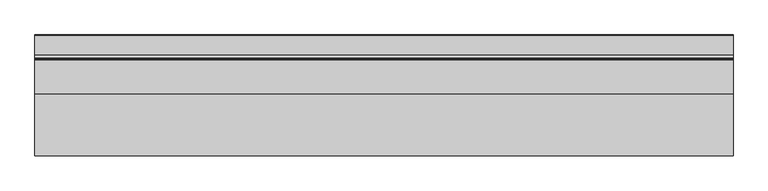
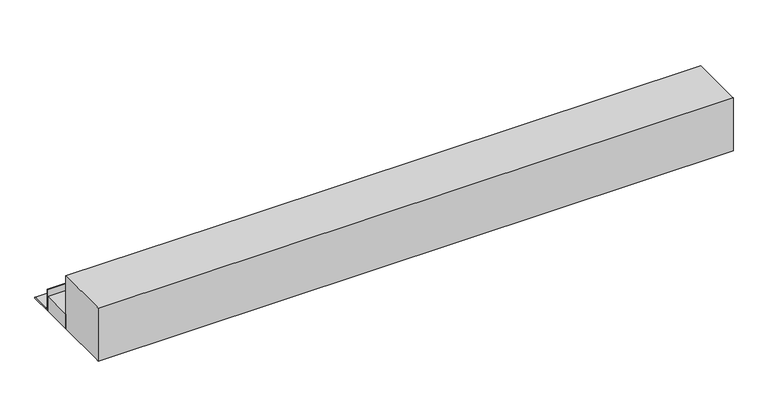
"""IFC4 building model written with IfcOpenShell, lengths in millimetres: beam geometry."""

from ifc_helpers import new_model, si_unit, frame, origin, place, context, project, spatial, polyline, circle_curve, faceted_brep, source, transform, mapped, element, save
from ifc_brep_helpers import plane_surface, cylinder_surface, revolved_surface, advanced_brep


def beam_095adc8d(model_context):
    return source(origin(), model_context, "Body", "SolidModel", [
        advanced_brep(
        [(320.0, 5277.5, 6000.0), (320.0, 5177.5, 6000.0), (320.0, 5177.5, 6068.9909984), (320.0, 5177.5, 6100.0), (320.0, 5179.711754, 6100.0), (320.0, 5182.5, 6097.211754), (320.0, 5182.5, 6068.9909984), (320.0, 5182.5, 6018.0410426), (320.0, 5195.5410426, 6005.0), (320.0, 5274.9745866, 6005.0), (320.0, 5277.5, 6002.4745866), (3153.3705641, 5277.5, 6000.0), (3153.3705641, 5277.5, 6002.4745866), (3153.3705641, 5274.9745866, 6005.0), (3153.3705641, 5195.5410426, 6005.0), (3153.3705641, 5182.5, 6018.0410426), (3153.3705641, 5182.5, 6097.211754), (3153.3705641, 5179.711754, 6100.0), (3153.3705641, 5177.5, 6100.0), (3153.3705641, 5177.5, 6068.9909984), (3153.3705641, 5177.5, 6000.0), (1153.3705641, 5277.5, 6000.0), (2911.685282, 5277.5, 6000.0)],
        [
            (0, 1),
            (1, 2),
            (2, 3),
            (3, 4),
            (4, 5, circle_curve(frame((320.0, 5179.711754, 6097.211754), z_axis=(-1.0, 0.0, 0.0), x_axis=(0.0, -1.0, 0.0)), 2.788246)),
            (5, 6),
            (6, 7),
            (7, 8, circle_curve(frame((320.0, 5195.5410426, 6018.0410426), z_axis=(1.0, 0.0, 0.0), x_axis=(0.0, -1.0, 0.0)), 13.0410426)),
            (8, 9),
            (9, 10, circle_curve(frame((320.0, 5274.9745866, 6002.4745866), z_axis=(-1.0, 0.0, 0.0), x_axis=(0.0, -1.0, 0.0)), 2.5254134)),
            (10, 0),
            (11, 12),
            (12, 13, circle_curve(frame((3153.3705641, 5274.9745866, 6002.4745866), z_axis=(1.0, 0.0, 0.0), x_axis=(0.0, -1.0, 0.0)), 2.5254134)),
            (13, 14),
            (14, 15, circle_curve(frame((3153.3705641, 5195.5410426, 6018.0410426), z_axis=(-1.0, 0.0, 0.0), x_axis=(0.0, -1.0, 0.0)), 13.0410426)),
            (15, 16),
            (16, 17, circle_curve(frame((3153.3705641, 5179.711754, 6097.211754), z_axis=(1.0, 0.0, 0.0), x_axis=(0.0, -1.0, 0.0)), 2.788246)),
            (17, 18),
            (18, 19),
            (19, 20),
            (20, 11),
            (0, 21),
            (21, 22),
            (22, 11),
            (20, 1),
            (18, 3),
            (17, 4),
            (10, 12),
            (16, 5),
            (15, 7),
            (14, 8),
            (13, 9),
        ],
        [
            plane_surface(frame((320.0, 5427.5, 6000.0), z_axis=(-1.0, 0.0, 0.0), x_axis=(0.0, -1.0, 0.0))),
            plane_surface(frame((3153.3705641, 5427.5, 6000.0), z_axis=(1.0, 0.0, 0.0), x_axis=(0.0, 1.0, 0.0))),
            plane_surface(frame((320.0, 5277.5, 6000.0), z_axis=(0.0, 0.0, -1.0), x_axis=(1.0, 0.0, 0.0))),
            plane_surface(frame((320.0, 5177.5, 6000.0), z_axis=(0.0, -1.0, 0.0), x_axis=(1.0, 0.0, 0.0))),
            plane_surface(frame((320.0, 5177.5, 6100.0), z_axis=(0.0, 0.0, 1.0), x_axis=(1.0, 0.0, 0.0))),
            plane_surface(frame((320.0, 5277.5, 6002.4745866), z_axis=(0.0, 1.0, 0.0), x_axis=(1.0, 0.0, 0.0))),
            cylinder_surface(frame((3153.3705641, 5179.711754, 6097.211754), z_axis=(-1.0, 0.0, 0.0), x_axis=(0.0, -1.0, 0.0)), 2.788246),
            plane_surface(frame((320.0, 5182.5, 6097.211754), z_axis=(0.0, 1.0, 0.0), x_axis=(1.0, 0.0, 0.0))),
            revolved_surface(polyline([(3153.3705641, 5182.5, 6018.0410426), (320.0, 5182.5, 6018.0410426)]), (3153.3705641, 5195.5410426, 6018.0410426), (1.0, 0.0, 0.0)),
            plane_surface(frame((320.0, 5195.5410426, 6005.0), z_axis=(0.0, 0.0, 1.0), x_axis=(1.0, 0.0, 0.0))),
            cylinder_surface(frame((3153.3705641, 5274.9745866, 6002.4745866), z_axis=(-1.0, 0.0, 0.0), x_axis=(0.0, -1.0, 0.0)), 2.5254134),
        ],
        [
            (0, [[1, 2, 3, 4, 5, 6, 7, 8, 9, 10, 11]]),
            (1, [[12, 13, 14, 15, 16, 17, 18, 19, 20, 21]]),
            (2, [[-1, 22, 23, 24, -21, 25]]),
            (3, [[-3, -2, -25, -20, -19, 26]]),
            (4, [[-4, -26, -18, 27]]),
            (5, [[-11, 28, -12, -24, -23, -22]]),
            (6, [[-5, -27, -17, 29]]),
            (7, [[-7, -6, -29, -16, 30]]),
            (8, [[-8, -30, -15, 31]]),
            (9, [[-9, -31, -14, 32]]),
            (10, [[-10, -32, -13, -28]]),
        ],
    ),
        faceted_brep([(320.0, 5177.5, 6000.0), (320.0, 5037.5, 6000.0), (320.0, 5037.5, 6068.9909984), (320.0, 5177.5, 6068.9909984), (3153.3705641, 5177.5, 6000.0), (3153.3705641, 5177.5, 6068.9909984), (3153.3705641, 5037.5, 6068.9909984), (3153.3705641, 5037.5, 6000.0), (1153.3705641, 5037.5, 6068.9909984)], [[[0, 1, 2, 3]], [[4, 5, 6, 7]], [[1, 0, 4, 7]], [[2, 1, 7, 6, 8]], [[3, 2, 8, 6, 5]], [[0, 3, 5, 4]]]),
        faceted_brep([(320.0, 5037.5, 6000.0), (320.0, 4800.0, 6000.0), (320.0, 4790.0, 6000.0), (320.0, 4787.5, 6000.0), (320.0, 4787.5, 6250.0), (320.0, 4790.0, 6250.0), (320.0, 4800.0, 6250.0), (320.0, 5037.5, 6250.0), (3153.3705641, 5037.5, 6000.0), (3153.3705641, 5037.5, 6068.9909984), (3153.3705641, 5037.5, 6250.0), (3153.3705641, 4790.0, 6250.0), (3153.3705641, 4787.5, 6250.0), (3153.3705641, 4787.5, 6000.0), (3153.3705641, 4790.0, 6000.0), (1153.3705641, 5037.5, 6250.0)], [[[0, 1, 2, 3, 4, 5, 6, 7]], [[8, 9, 10, 11, 12, 13, 14]], [[3, 2, 1, 0, 8, 14, 13]], [[4, 3, 13, 12]], [[7, 6, 5, 4, 12, 11, 10, 15]], [[0, 7, 15, 10, 9, 8]]]),
    ])


if __name__ == "__main__":
    model = new_model("IFC4")
    model_context = context("Model", 3, world=origin())
    ifc_project = project(units=[si_unit("LENGTHUNIT", "METRE", prefix="MILLI")], contexts=[model_context])
    site = spatial("IfcSite", under=ifc_project)
    building = spatial("IfcBuilding", under=site)
    placement = place(None, origin())
    beam_shape = beam_095adc8d(model_context)
    element("IfcBeam", 1, at=placement, inside=building, context=model_context, shape_type="MappedRepresentation", body=[
        mapped(beam_shape, transform((0.0, 0.0, 0.0), x_axis=(1.0, 0.0, 0.0), y_axis=(0.0, 1.0, 0.0), z_axis=(0.0, 0.0, 1.0))),
    ])
    save(model, "model.ifc")
